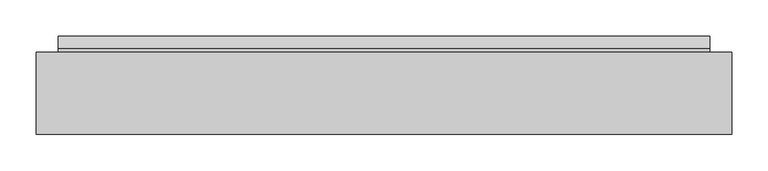
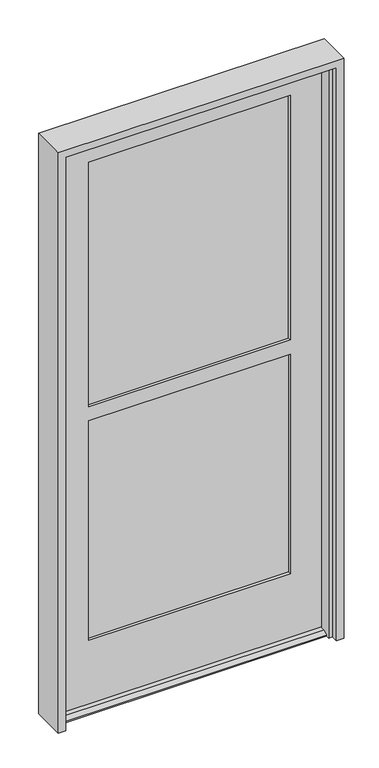
"""IFC4 building model written with IfcOpenShell, lengths in millimetres: plate geometry."""

from ifc_helpers import new_model, si_unit, frame, origin, place, context, project, spatial, polyline, outline, extrude, faceted_brep, source, transform, mapped, element, save


def plate_2e594dcd(model_context):
    return source(origin(), model_context, "Body", "SolidModel", [
        faceted_brep([(452.0692, -59.3328125, 12.7), (452.0692, -75.9825579, 12.7), (452.0692, -92.6704033, 4.9183299), (452.0692, -92.6704033, 0.0003044), (452.0692, -59.3328125, 0.0003044), (452.0692, 8.9296875, 0.0003044), (452.0692, 8.9296875, 4.9183299), (452.0692, -7.7581579, 12.7), (452.0692, -14.8828125, 12.7), (452.0692, -14.8828125, 0.0003044), (-452.05015, -14.8828125, 12.7), (-452.05015, -7.7581579, 12.7), (-452.05015, 8.9296875, 4.9183299), (-452.05015, 8.9296875, 0.0003044), (-452.05015, -14.8828125, 0.0003044), (-452.05015, -92.6704033, 0.0003044), (-452.05015, -92.6704033, 4.9183299), (-452.05015, -75.9825579, 12.7), (-452.05015, -59.3328125, 12.7), (-452.05015, -59.3328125, 0.0003044), (452.0692, -59.3328125, 2041.525), (454.8378, -14.8828125, 2041.525), (-454.81875, -14.8828125, 2041.525), (-452.05015, -59.3328125, 2041.525), (340.5378, -14.8828125, 1945.48125), (340.5378, -24.4078125, 1945.48125), (-340.51875, -24.4078125, 1945.48125), (-340.51875, -14.8828125, 1945.48125), (347.68155, -24.4078125, 1952.625), (347.68155, -49.8078125, 1952.625), (-347.6625, -49.8078125, 1952.625), (-347.6625, -24.4078125, 1952.625), (340.5378, -49.8078125, 1945.48125), (340.5378, -59.3328125, 1945.48125), (-340.51875, -59.3328125, 1945.48125), (-340.51875, -49.8078125, 1945.48125), (347.68155, -49.8078125, 1029.49375), (-347.6625, -49.8078125, 1029.49375), (-347.6625, -24.4078125, 1029.49375), (347.68155, -24.4078125, 1029.49375), (-340.51875, -14.8828125, 1022.35), (340.5378, -14.8828125, 1022.35), (340.5378, -24.4078125, 1022.35), (-340.51875, -24.4078125, 1022.35), (340.5378, -14.8828125, 1073.15), (-340.51875, -14.8828125, 1073.15), (-340.51875, -24.4078125, 1073.15), (340.5378, -24.4078125, 1073.15), (-347.6625, -49.8078125, 1066.00625), (347.68155, -49.8078125, 1066.00625), (347.68155, -24.4078125, 1066.00625), (-347.6625, -24.4078125, 1066.00625), (340.5378, -49.8078125, 1073.15), (-340.51875, -49.8078125, 1073.15), (-340.51875, -59.3328125, 1073.15), (340.5378, -59.3328125, 1073.15), (-340.51875, -49.8078125, 1022.35), (340.5378, -49.8078125, 1022.35), (340.5378, -59.3328125, 1022.35), (-340.51875, -59.3328125, 1022.35), (347.68155, -49.8078125, 232.56875), (347.68155, -24.4078125, 232.56875), (-347.6625, -24.4078125, 232.56875), (-347.6625, -49.8078125, 232.56875), (-340.51875, -49.8078125, 239.7125), (340.5378, -49.8078125, 239.7125), (340.5378, -59.3328125, 239.7125), (-340.51875, -59.3328125, 239.7125), (-454.81875, -14.8828125, 0.0003044), (454.8378, -14.8828125, 0.0003044), (-340.51875, -14.8828125, 239.7125), (340.5378, -14.8828125, 239.7125), (340.5378, -24.4078125, 239.7125), (-340.51875, -24.4078125, 239.7125)], [[[0, 1, 2, 3, 4]], [[5, 6, 7, 8, 9]], [[10, 11, 12, 13, 14]], [[15, 16, 17, 18, 19]], [[20, 21, 22, 23]], [[24, 25, 26, 27]], [[28, 29, 30, 31]], [[32, 33, 34, 35]], [[36, 37, 38, 39]], [[40, 41, 42, 43]], [[44, 45, 46, 47]], [[48, 49, 50, 51]], [[52, 53, 54, 55]], [[56, 57, 58, 59]], [[60, 61, 62, 63]], [[30, 29, 49, 48], [32, 35, 53, 52]], [[60, 63, 37, 36], [64, 65, 57, 56]], [[66, 65, 64, 67]], [[20, 23, 18, 0], [34, 33, 55, 54], [67, 59, 58, 66]], [[1, 0, 18, 17]], [[2, 1, 17, 16]], [[3, 2, 16, 15]], [[3, 15, 19, 68, 14, 13, 5, 9, 69, 4]], [[6, 5, 13, 12]], [[7, 6, 12, 11]], [[8, 7, 11, 10]], [[21, 69, 9, 8, 10, 14, 68, 22], [27, 45, 44, 24], [70, 71, 41, 40]], [[72, 71, 70, 73]], [[28, 31, 51, 50], [26, 25, 47, 46]], [[62, 61, 39, 38], [72, 73, 43, 42]], [[18, 23, 22, 68, 19]], [[35, 34, 54, 53]], [[67, 64, 56, 59]], [[37, 63, 62, 38]], [[51, 31, 30, 48]], [[27, 26, 46, 45]], [[73, 70, 40, 43]], [[25, 24, 44, 47]], [[71, 72, 42, 41]], [[49, 29, 28, 50]], [[39, 61, 60, 36]], [[33, 32, 52, 55]], [[65, 66, 58, 57]], [[21, 20, 0, 4, 69]]]),
        extrude(outline(polyline([(-347.6625, -30.7070125), (-347.6625, -24.4078125), (347.68155, -24.4078125), (347.68155, -30.7070125), (-347.6625, -30.7070125)])), frame((0.0, 0.0, 232.56875), z_axis=(0.0, 0.0, 1.0), x_axis=(1.0, 0.0, 0.0)), (0.0, 0.0, 1.0), 796.925),
        extrude(outline(polyline([(-347.6625, -49.8078125), (-347.6625, -43.5086125), (347.68155, -43.5086125), (347.68155, -49.8078125), (-347.6625, -49.8078125)])), frame((0.0, 0.0, 232.56875), z_axis=(0.0, 0.0, 1.0), x_axis=(1.0, 0.0, 0.0)), (0.0, 0.0, 1.0), 796.925),
        extrude(outline(polyline([(347.68155, -49.0788757), (-347.6625, -49.0788757), (-347.6625, -42.7796757), (347.68155, -42.7796757), (347.68155, -49.0788757)])), frame((0.0, 0.0, 1066.00625), z_axis=(0.0, 0.0, 1.0), x_axis=(1.0, 0.0, 0.0)), (0.0, 0.0, 1.0), 886.61875),
        extrude(outline(polyline([(-347.6625, -23.6788757), (347.68155, -23.6788757), (347.68155, -29.9780757), (-347.6625, -29.9780757), (-347.6625, -23.6788757)])), frame((0.0, 0.0, 1066.00625), z_axis=(0.0, 0.0, 1.0), x_axis=(1.0, 0.0, 0.0)), (0.0, 0.0, 1.0), 886.61875),
        faceted_brep([(444.5, -63.3333125, 0.0), (457.2, -63.3333125, 0.0), (457.2, -13.2953125, 0.0), (482.6, -13.2953125, 0.0), (482.6, -127.5953125, 0.0), (457.2, -127.5953125, 0.0), (457.2, -104.6083125, 0.0), (444.5, -104.6083125, 0.0), (482.6, -127.5953125, 2070.1), (482.6, -13.2953125, 2070.1), (-482.6, -13.2953125, 2070.1), (-482.6, -127.5953125, 2070.1), (444.5, -63.3333125, 2032.0), (-444.5, -63.3333125, 2032.0), (-444.5, -63.3333125, 0.0), (-457.2, -63.3333125, 0.0), (-457.2, -63.3333125, 2044.7), (457.2, -63.3333125, 2044.7), (457.2, -13.2953125, 2044.7), (-457.2, -13.2953125, 2044.7), (-457.2, -13.2953125, 0.0), (-482.6, -13.2953125, 0.0), (-482.6, -127.5953125, 0.0), (-457.2, -127.5953125, 0.0), (-457.2, -127.5953125, 2044.7), (457.2, -127.5953125, 2044.7), (457.2, -104.6083125, 2044.7), (-457.2, -104.6083125, 2044.7), (-457.2, -104.6083125, 0.0), (-444.5, -104.6083125, 0.0), (-444.5, -104.6083125, 2032.0), (444.5, -104.6083125, 2032.0)], [[[0, 1, 2, 3, 4, 5, 6, 7]], [[8, 9, 10, 11]], [[1, 0, 12, 13, 14, 15, 16, 17]], [[2, 1, 17, 18]], [[3, 2, 18, 19, 20, 21, 10, 9]], [[8, 4, 3, 9]], [[5, 4, 8, 11, 22, 23, 24, 25]], [[26, 6, 5, 25]], [[7, 6, 26, 27, 28, 29, 30, 31]], [[0, 7, 31, 12]], [[14, 29, 28, 23, 22, 21, 20, 15]], [[29, 14, 13, 30]], [[23, 28, 27, 24]], [[10, 21, 22, 11]], [[16, 15, 20, 19]], [[27, 26, 25, 24]], [[17, 16, 19, 18]], [[13, 12, 31, 30]]]),
    ])


if __name__ == "__main__":
    model = new_model("IFC4")
    model_context = context("Model", 3, world=origin())
    ifc_project = project(units=[si_unit("LENGTHUNIT", "METRE", prefix="MILLI")], contexts=[model_context])
    site = spatial("IfcSite", under=ifc_project)
    building = spatial("IfcBuilding", under=site)
    placement = place(None, origin())
    plate_shape = plate_2e594dcd(model_context)
    element("IfcPlate", 1, at=placement, inside=building, context=model_context, shape_type="MappedRepresentation", body=[
        mapped(plate_shape, transform((0.0, 0.0, 0.0), x_axis=(1.0, 0.0, 0.0), y_axis=(0.0, 1.0, 0.0), z_axis=(0.0, 0.0, 1.0))),
    ])
    save(model, "model.ifc")
